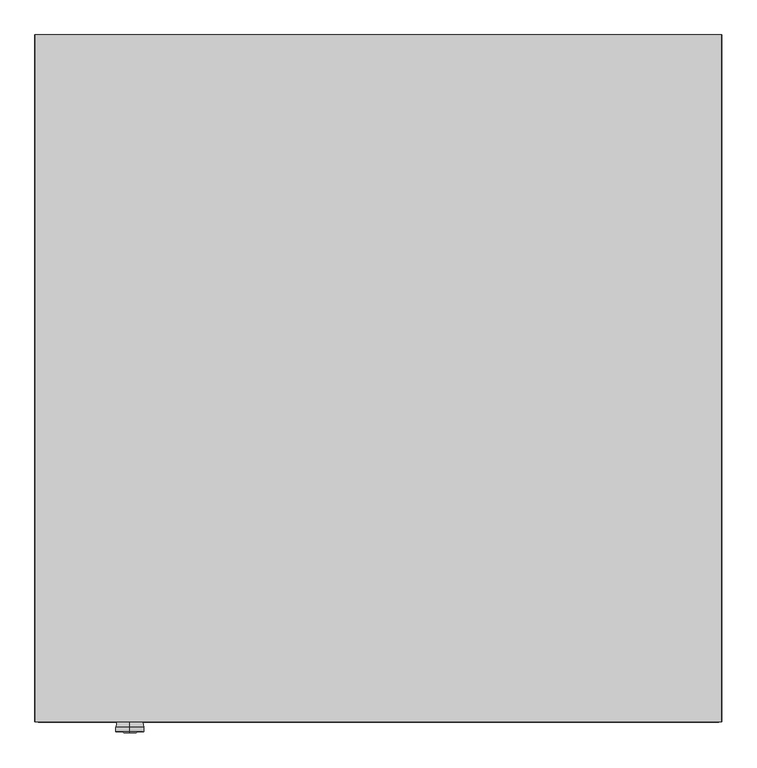
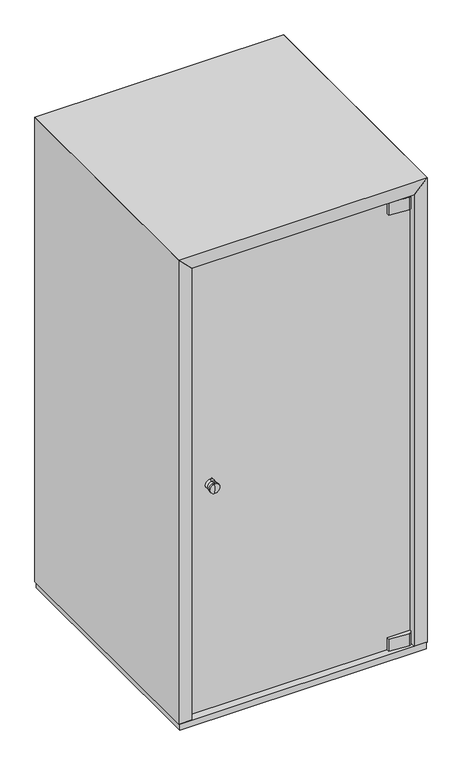
"""IFC4 building model written with IfcOpenShell, lengths in millimetres: furniture geometry."""

from ifc_helpers import new_model, si_unit, point, frame, frame_2d, origin, origin_with_axes, place, context, project, spatial, polyline, circle_curve, ellipse_curve, trimmed, segment, composite_curve, outline, extrude, faceted_brep, source, transform, mapped, element, save
from ifc_brep_helpers import plane_surface, cylinder_surface, revolved_surface, advanced_brep


def furniture_a2d58bff(model_context):
    return source(origin(), model_context, "Body", "SolidModel", [
        extrude(outline(composite_curve([segment(trimmed(circle_curve(frame_2d((550.0, -337.9990252)), 60.0), [point((490.0, -337.9990252))], [point((610.0, -337.9990252))], False, "CARTESIAN"), True, "CONTINUOUS"), segment(trimmed(circle_curve(frame_2d((550.0, -337.9990252)), 60.0), [point((610.0, -337.9990252))], [point((490.0, -337.9990252))], False, "CARTESIAN"), True, "CONTINUOUS")], self_intersect=False)), frame((0.0, 0.0, 2139.0), z_axis=(0.0, 0.0, 1.0), x_axis=(1.0, 0.0, 0.0)), (0.0, 0.0, 1.0), 1.9979496),
        extrude(outline(composite_curve([segment(polyline([(933.9999992, -1089.9999943), (933.9999992, -1078.0), (1034.0, -1078.0), (1034.0, -1085.006015)]), True, "CONTINUOUS"), segment(trimmed(circle_curve(frame_2d((1022.0, -1085.006015)), 12.0), [point((1034.0, -1085.006015))], [point((1021.0424621, -1096.9677507))], False, "CARTESIAN"), True, "CONTINUOUS"), segment(polyline([(1021.0424621, -1096.9677507), (933.9999992, -1089.9999943)]), True, "CONTINUOUS")], self_intersect=False)), frame((0.0, 0.0, 38.9996337), z_axis=(0.0, 0.0, 1.0), x_axis=(1.0, 0.0, 0.0)), (0.0, 0.0, 1.0), 56.4999968),
        extrude(outline(composite_curve([segment(polyline([(933.9999992, -1089.9999943), (933.9999992, -1078.0), (1034.0, -1078.0), (1034.0, -1085.006015)]), True, "CONTINUOUS"), segment(trimmed(circle_curve(frame_2d((1022.0, -1085.006015)), 12.0), [point((1034.0, -1085.006015))], [point((1021.0424621, -1096.9677507))], False, "CARTESIAN"), True, "CONTINUOUS"), segment(polyline([(1021.0424621, -1096.9677507), (933.9999992, -1089.9999943)]), True, "CONTINUOUS")], self_intersect=False)), frame((0.0, 0.0, 2075.9979496), z_axis=(0.0, 0.0, 1.0), x_axis=(1.0, 0.0, 0.0)), (0.0, 0.0, 1.0), 58.0),
        advanced_brep(
        [(152.0, -1068.0, 1110.2856952), (152.0, -1068.0, 1066.7135722), (152.0, -1068.0, 1088.4996337), (152.0, -1117.3897672, 1088.4996337), (152.0, -1115.4450169, 1066.2945574), (152.0, -1115.4450169, 1110.70471), (152.0, -1108.6203361, 1066.2945574), (152.0, -1108.6203361, 1110.70471), (152.0, -1091.6492628, 1069.2301068), (152.0, -1091.6492628, 1107.7691606), (152.0, -1076.0606331, 1066.7135722), (152.0, -1076.0606331, 1110.2856952)],
        [
            (0, 1, circle_curve(frame((152.0, -1068.0, 1088.4996337), z_axis=(0.0, 1.0, 0.0), x_axis=(0.0, 0.0, -1.0)), 21.7860615)),
            (1, 2),
            (2, 0),
            (1, 0, circle_curve(frame((152.0, -1068.0, 1088.4996337), z_axis=(0.0, 1.0, 0.0), x_axis=(0.0, 0.0, -1.0)), 21.7860615)),
            (3, 4, circle_curve(frame((152.0, -989.6490827, 1088.4996337), z_axis=(1.0, 0.0, 0.0), x_axis=(0.0, 1.0, 0.0)), 127.7406845)),
            (4, 5, circle_curve(frame((152.0, -1115.4450169, 1088.4996337), z_axis=(0.0, -1.0, 0.0), x_axis=(0.0, 0.0, -1.0)), 22.2050763)),
            (5, 3, circle_curve(frame((152.0, -989.6490827, 1088.4996337), z_axis=(1.0, 0.0, 0.0), x_axis=(0.0, 1.0, 0.0)), 127.7406845)),
            (5, 4, circle_curve(frame((152.0, -1115.4450169, 1088.4996337), z_axis=(0.0, -1.0, 0.0), x_axis=(0.0, 0.0, -1.0)), 22.2050763)),
            (4, 6),
            (6, 7, circle_curve(frame((152.0, -1108.6203361, 1088.4996337), z_axis=(0.0, -1.0, 0.0), x_axis=(0.0, 0.0, -1.0)), 22.2050763)),
            (7, 5),
            (7, 6, circle_curve(frame((152.0, -1108.6203361, 1088.4996337), z_axis=(0.0, -1.0, 0.0), x_axis=(0.0, 0.0, -1.0)), 22.2050763)),
            (6, 8),
            (8, 9, circle_curve(frame((152.0, -1091.6492628, 1088.4996337), z_axis=(0.0, -1.0, 0.0), x_axis=(0.0, 0.0, -1.0)), 19.2695269)),
            (9, 7),
            (9, 8, circle_curve(frame((152.0, -1091.6492628, 1088.4996337), z_axis=(0.0, -1.0, 0.0), x_axis=(0.0, 0.0, -1.0)), 19.2695269)),
            (8, 10),
            (10, 11, circle_curve(frame((152.0, -1076.0606331, 1088.4996337), z_axis=(0.0, -1.0, 0.0), x_axis=(0.0, 0.0, -1.0)), 21.7860615)),
            (11, 9),
            (11, 10, circle_curve(frame((152.0, -1076.0606331, 1088.4996337), z_axis=(0.0, -1.0, 0.0), x_axis=(0.0, 0.0, -1.0)), 21.7860615)),
            (10, 1),
            (0, 11),
        ],
        [
            plane_surface(frame((152.0, -1068.0, 1088.4996337), z_axis=(0.0, 1.0, 0.0), x_axis=(0.0, 0.0, -1.0))),
            revolved_surface(trimmed(ellipse_curve(frame((152.0, -989.6490827, 1088.4996337), z_axis=(-1.0, 0.0, 0.0), x_axis=(0.0, 1.0, 0.0)), 127.7406845, 127.7406845), [point((152.0, -1115.4450169, 1066.2945574))], [point((152.0, -1117.3897672, 1088.4996337))], True, "CARTESIAN"), (152.0, -1064.1556283, 1088.4996337), (0.0, -1.0, 0.0)),
            cylinder_surface(frame((152.0, -1064.1556283, 1088.4996337), z_axis=(0.0, -1.0, 0.0), x_axis=(0.0, 0.0, -1.0)), 22.2050763),
            revolved_surface(polyline([(152.0, -1091.6492628, 1069.2301068), (152.0, -1108.6203361, 1066.2945574)]), (152.0, -1064.1556283, 1088.4996337), (0.0, -1.0, 0.0)),
            revolved_surface(polyline([(152.0, -1076.0606331, 1066.7135722), (152.0, -1091.6492628, 1069.2301068)]), (152.0, -1064.1556283, 1088.4996337), (0.0, -1.0, 0.0)),
            cylinder_surface(frame((152.0, -1064.1556283, 1088.4996337), z_axis=(0.0, -1.0, 0.0), x_axis=(0.0, 0.0, -1.0)), 21.7860615),
        ],
        [
            (0, [[1, 2, 3]]),
            (0, [[4, -3, -2]]),
            (1, [[5, 6, 7]]),
            (1, [[-7, 8, -5]]),
            (2, [[-6, 9, 10, 11]]),
            (2, [[-8, -11, 12, -9]]),
            (3, [[-10, 13, 14, 15]]),
            (3, [[-12, -15, 16, -13]]),
            (4, [[-14, 17, 18, 19]]),
            (4, [[-16, -19, 20, -17]]),
            (5, [[-18, 21, -1, 22]]),
            (5, [[-20, -22, -4, -21]]),
        ],
    ),
        advanced_brep(
        [(152.0, -1063.5, 1110.2856952), (152.0, -1063.5, 1066.7135722), (152.0, -1055.4393669, 1066.7135722), (152.0, -1055.4393669, 1110.2856952), (152.0, -1039.8507372, 1069.2301068), (152.0, -1039.8507372, 1107.7691606), (152.0, -1022.8796639, 1066.2945574), (152.0, -1022.8796639, 1110.70471), (152.0, -1016.0549831, 1066.2945574), (152.0, -1016.0549831, 1110.70471), (152.0, -1014.1102328, 1088.4996337), (152.0, -1063.5, 1088.4996337)],
        [
            (0, 1, circle_curve(frame((152.0, -1063.5, 1088.4996337), z_axis=(0.0, 1.0, 0.0), x_axis=(0.0, 0.0, -1.0)), 21.7860615)),
            (1, 2),
            (2, 3, circle_curve(frame((152.0, -1055.4393669, 1088.4996337), z_axis=(0.0, -1.0, 0.0), x_axis=(0.0, 0.0, -1.0)), 21.7860615)),
            (3, 0),
            (1, 0, circle_curve(frame((152.0, -1063.5, 1088.4996337), z_axis=(0.0, 1.0, 0.0), x_axis=(0.0, 0.0, -1.0)), 21.7860615)),
            (3, 2, circle_curve(frame((152.0, -1055.4393669, 1088.4996337), z_axis=(0.0, -1.0, 0.0), x_axis=(0.0, 0.0, -1.0)), 21.7860615)),
            (2, 4),
            (4, 5, circle_curve(frame((152.0, -1039.8507372, 1088.4996337), z_axis=(0.0, -1.0, 0.0), x_axis=(0.0, 0.0, -1.0)), 19.2695269)),
            (5, 3),
            (5, 4, circle_curve(frame((152.0, -1039.8507372, 1088.4996337), z_axis=(0.0, -1.0, 0.0), x_axis=(0.0, 0.0, -1.0)), 19.2695269)),
            (4, 6),
            (6, 7, circle_curve(frame((152.0, -1022.8796639, 1088.4996337), z_axis=(0.0, -1.0, 0.0), x_axis=(0.0, 0.0, -1.0)), 22.2050763)),
            (7, 5),
            (7, 6, circle_curve(frame((152.0, -1022.8796639, 1088.4996337), z_axis=(0.0, -1.0, 0.0), x_axis=(0.0, 0.0, -1.0)), 22.2050763)),
            (6, 8),
            (8, 9, circle_curve(frame((152.0, -1016.0549831, 1088.4996337), z_axis=(0.0, -1.0, 0.0), x_axis=(0.0, 0.0, -1.0)), 22.2050763)),
            (9, 7),
            (9, 8, circle_curve(frame((152.0, -1016.0549831, 1088.4996337), z_axis=(0.0, -1.0, 0.0), x_axis=(0.0, 0.0, -1.0)), 22.2050763)),
            (8, 10, circle_curve(frame((152.0, -1141.8509173, 1088.4996337), z_axis=(1.0, 0.0, 0.0), x_axis=(0.0, 1.0, 0.0)), 127.7406845)),
            (10, 9, circle_curve(frame((152.0, -1141.8509173, 1088.4996337), z_axis=(1.0, 0.0, 0.0), x_axis=(0.0, 1.0, 0.0)), 127.7406845)),
            (11, 1),
            (0, 11),
        ],
        [
            cylinder_surface(frame((152.0, -1064.1556283, 1088.4996337), z_axis=(0.0, -1.0, 0.0), x_axis=(0.0, 0.0, -1.0)), 21.7860615),
            revolved_surface(polyline([(152.0, -1039.8507372, 1069.2301068), (152.0, -1055.4393669, 1066.7135722)]), (152.0, -1064.1556283, 1088.4996337), (0.0, -1.0, 0.0)),
            revolved_surface(polyline([(152.0, -1022.8796639, 1066.2945574), (152.0, -1039.8507372, 1069.2301068)]), (152.0, -1064.1556283, 1088.4996337), (0.0, -1.0, 0.0)),
            cylinder_surface(frame((152.0, -1064.1556283, 1088.4996337), z_axis=(0.0, -1.0, 0.0), x_axis=(0.0, 0.0, -1.0)), 22.2050763),
            revolved_surface(trimmed(ellipse_curve(frame((152.0, -1141.8509173, 1088.4996337), z_axis=(-1.0, 0.0, 0.0), x_axis=(0.0, 1.0, 0.0)), 127.7406845, 127.7406845), [point((152.0, -1014.1102328, 1088.4996337))], [point((152.0, -1016.0549831, 1066.2945574))], True, "CARTESIAN"), (152.0, -1064.1556283, 1088.4996337), (0.0, -1.0, 0.0)),
            plane_surface(frame((152.0, -1063.5, 1088.4996337), z_axis=(0.0, -1.0, 0.0), x_axis=(0.0, 0.0, -1.0))),
        ],
        [
            (0, [[1, 2, 3, 4]]),
            (0, [[5, -4, 6, -2]]),
            (1, [[-3, 7, 8, 9]]),
            (1, [[-6, -9, 10, -7]]),
            (2, [[-8, 11, 12, 13]]),
            (2, [[-10, -13, 14, -11]]),
            (3, [[-12, 15, 16, 17]]),
            (3, [[-14, -17, 18, -15]]),
            (4, [[-16, 19, 20]]),
            (4, [[-18, -20, -19]]),
            (5, [[21, -1, 22]]),
            (5, [[-22, -5, -21]]),
        ],
    ),
        extrude(outline(polyline([(2140.9979496, 1040.9979496), (2140.9979496, 59.0020504), (29.9996337, 59.0020504), (29.9996337, 1040.9979496), (2140.9979496, 1040.9979496)]), holes=[polyline([(2124.9996529, 1016.0), (45.9996337, 1016.0), (45.9996337, 84.0), (2124.9996529, 84.0), (2124.9996529, 1016.0)])]), frame((0.0, -1063.5, 0.0), z_axis=(0.0, 1.0, 0.0), x_axis=(0.0, 0.0, 1.0)), (0.0, 0.0, 1.0), 37.0),
        extrude(outline(polyline([(1034.0, -1068.0), (1034.0, -1078.0), (62.0, -1078.0), (62.0, -1068.0), (1034.0, -1068.0)])), frame((0.0, 0.0, 38.9996337), z_axis=(0.0, 0.0, 1.0), x_axis=(1.0, 0.0, 0.0)), (0.0, 0.0, 1.0), 2094.9983159),
        faceted_brep([(1011.0, -860.0, 2011.0), (1011.0, -190.0, 2011.0), (1011.0, -190.0, 1177.0), (1011.0, -860.0, 1177.0), (1041.0, -945.0, 2069.0), (1041.0, -945.0, 1119.0), (1041.0, -105.0, 1119.0), (1041.0, -105.0, 2069.0)], [[[0, 1, 2, 3]], [[4, 5, 6, 7]], [[5, 4, 0, 3]], [[6, 5, 3, 2]], [[7, 6, 2, 1]], [[4, 7, 1, 0]]]),
        faceted_brep([(89.0, -860.0, 2011.0), (89.0, -860.0, 1177.0), (89.0, -190.0, 1177.0), (89.0, -190.0, 2011.0), (59.0, -945.0, 2069.0), (59.0, -105.0, 2069.0), (59.0, -105.0, 1119.0), (59.0, -945.0, 1119.0)], [[[0, 1, 2, 3]], [[4, 5, 6, 7]], [[4, 7, 1, 0]], [[7, 6, 2, 1]], [[6, 5, 3, 2]], [[5, 4, 0, 3]]]),
        extrude(outline(polyline([(1041.0, -39.0), (1041.0, -1026.0), (59.0, -1026.0), (59.0, -39.0), (1041.0, -39.0)])), frame((0.0, 0.0, 29.9996337), z_axis=(0.0, 0.0, 1.0), x_axis=(1.0, 0.0, 0.0)), (0.0, 0.0, 1.0), 6.0),
        advanced_brep(
        [(210.0020504, -304.0, 1049.0), (210.0020504, -304.0, 1020.5), (210.0020504, -304.0, 1077.5), (210.0020504, -301.0, 1017.5), (210.0020504, -301.0, 1080.5), (210.0020504, -301.0, 1049.0)],
        [
            (0, 1),
            (1, 2, circle_curve(frame((210.0020504, -304.0, 1049.0), z_axis=(0.0, -1.0, 0.0), x_axis=(0.0, 0.0, -1.0)), 28.5)),
            (2, 0),
            (2, 1, circle_curve(frame((210.0020504, -304.0, 1049.0), z_axis=(0.0, -1.0, 0.0), x_axis=(0.0, 0.0, -1.0)), 28.5)),
            (1, 3),
            (3, 4, circle_curve(frame((210.0020504, -301.0, 1049.0), z_axis=(0.0, -1.0, 0.0), x_axis=(0.0, 0.0, -1.0)), 31.5)),
            (4, 2),
            (4, 3, circle_curve(frame((210.0020504, -301.0, 1049.0), z_axis=(0.0, -1.0, 0.0), x_axis=(0.0, 0.0, -1.0)), 31.5)),
            (3, 5),
            (5, 4),
        ],
        [
            plane_surface(frame((210.0020504, -304.0, 1049.0), z_axis=(0.0, -1.0, 0.0), x_axis=(0.0, 0.0, -1.0))),
            revolved_surface(polyline([(210.0020504, -301.0, 1017.5), (210.0020504, -304.0, 1020.5)]), (210.0020504, -319.0, 1049.0), (0.0, -1.0, 0.0)),
            plane_surface(frame((210.0020504, -301.0, 1049.0), z_axis=(0.0, 1.0, 0.0), x_axis=(0.0, 0.0, -1.0))),
        ],
        [
            (0, [[1, 2, 3]]),
            (0, [[-3, 4, -1]]),
            (1, [[-2, 5, 6, 7]]),
            (1, [[-4, -7, 8, -5]]),
            (2, [[-6, 9, 10]]),
            (2, [[-8, -10, -9]]),
        ],
    ),
        extrude(outline(polyline([(1041.0, -41.0), (1041.0, -301.0), (59.0, -301.0), (59.0, -41.0), (1041.0, -41.0)])), frame((0.0, 0.0, 999.0), z_axis=(0.0, 0.0, 1.0), x_axis=(1.0, 0.0, 0.0)), (0.0, 0.0, 1.0), 102.0),
        extrude(outline(polyline([(1041.0, -20.0), (1041.0, -30.0), (59.0, -30.0), (59.0, -20.0), (1041.0, -20.0)])), frame((0.0, 0.0, 29.9996337), z_axis=(0.0, 0.0, 1.0), x_axis=(1.0, 0.0, 0.0)), (0.0, 0.0, 1.0), 2110.9983159),
        extrude(outline(polyline([(1095.0, -1100.0), (5.0, -1100.0), (5.0, 0.0), (1095.0, 0.0), (1095.0, -1100.0)])), origin_with_axes(), (0.0, 0.0, 1.0), 29.9996337),
        extrude(outline(polyline([(29.9996337, 0.0), (29.9996337, 59.0020504), (2140.9979496, 59.0020504), (2200.0, 0.0), (29.9996337, 0.0)])), frame((0.0, -1100.0, 0.0), z_axis=(0.0, 1.0, 0.0), x_axis=(0.0, 0.0, 1.0)), (0.0, 0.0, 1.0), 1100.0),
        extrude(outline(polyline([(29.9996337, 1100.0), (2200.0, 1100.0), (2140.9979496, 1040.9979496), (29.9996337, 1040.9979496), (29.9996337, 1100.0)])), frame((0.0, -1100.0, 0.0), z_axis=(0.0, 1.0, 0.0), x_axis=(0.0, 0.0, 1.0)), (0.0, 0.0, 1.0), 1100.0),
        extrude(outline(polyline([(2200.0, 1100.0), (2200.0, 0.0), (2140.9979496, 59.0020504), (2140.9979496, 1040.9979496), (2200.0, 1100.0)])), frame((0.0, -1100.0, 0.0), z_axis=(0.0, 1.0, 0.0), x_axis=(0.0, 0.0, 1.0)), (0.0, 0.0, 1.0), 1100.0),
    ])


if __name__ == "__main__":
    model = new_model("IFC4")
    model_context = context("Model", 3, world=origin())
    ifc_project = project(units=[si_unit("LENGTHUNIT", "METRE", prefix="MILLI")], contexts=[model_context])
    site = spatial("IfcSite", under=ifc_project)
    building = spatial("IfcBuilding", under=site)
    placement = place(None, origin())
    furniture_shape = furniture_a2d58bff(model_context)
    element("IfcFurniture", 1, at=placement, inside=building, context=model_context, shape_type="MappedRepresentation", body=[
        mapped(furniture_shape, transform((0.0, 0.0, 0.0), x_axis=(1.0, 0.0, 0.0), y_axis=(0.0, 1.0, 0.0), z_axis=(0.0, 0.0, 1.0))),
    ])
    save(model, "model.ifc")
